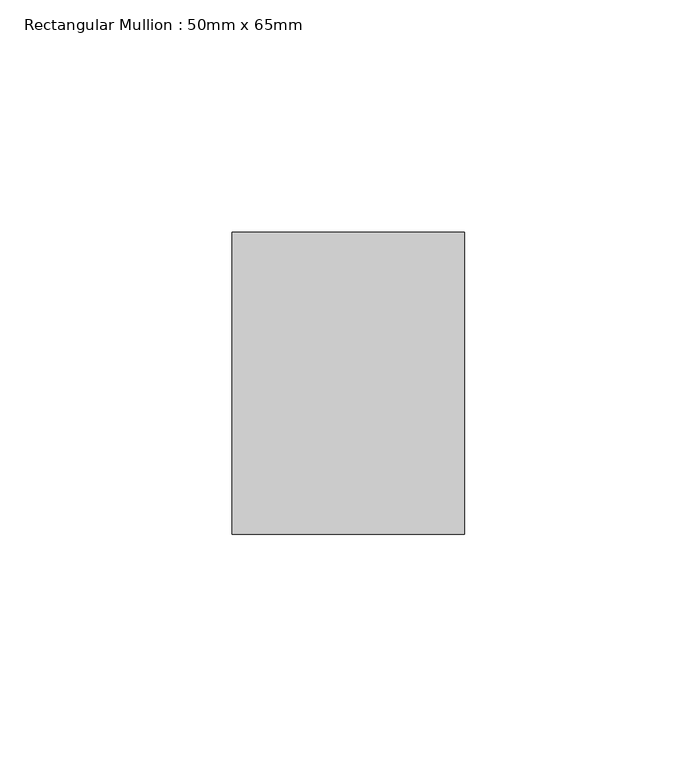
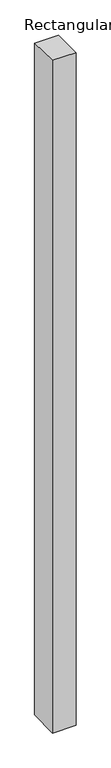
"""IFC4 building model written with IfcOpenShell, lengths in millimetres: member geometry, Rectangular Mullion : 50mm x 65mm."""

from ifc_helpers import new_model, si_unit, origin, place, context, project, spatial, faceted_brep, source, transform, mapped, element, save


def rectangular_mullion_50mm_x_65mm_96c3be3b(model_context):
    return source(origin(), model_context, "Body", "Brep", [
        faceted_brep([(-25.0, 32.5, -0.6022161), (25.0, 32.5, -0.6022166), (25.0, 32.5, -1499.4368414), (-25.0, 32.5, -1499.4368418), (-25.0, -32.5, 0.6022166), (-25.0, -32.5, -1500.5642917), (25.0, -32.5, 0.6022161), (25.0, -32.5, -1500.5642913)], [[[0, 1, 2, 3]], [[4, 0, 3, 5]], [[6, 4, 5, 7]], [[1, 6, 7, 2]], [[1, 0, 4, 6]], [[2, 7, 5, 3]]]),
    ])


if __name__ == "__main__":
    model = new_model("IFC4")
    model_context = context("Model", 3, world=origin())
    ifc_project = project(units=[si_unit("LENGTHUNIT", "METRE", prefix="MILLI")], contexts=[model_context])
    site = spatial("IfcSite", under=ifc_project)
    building = spatial("IfcBuilding", under=site)
    placement = place(None, origin())
    rectangular_mullion_50mm_x_65mm_shape = rectangular_mullion_50mm_x_65mm_96c3be3b(model_context)
    element("IfcMember", 1, ObjectType="Rectangular Mullion : 50mm x 65mm", at=placement, inside=building, context=model_context, shape_type="MappedRepresentation", body=[
        mapped(rectangular_mullion_50mm_x_65mm_shape, transform((0.0, 0.0, 0.0), x_axis=(1.0, 0.0, 0.0), y_axis=(0.0, 1.0, 0.0), z_axis=(0.0, 0.0, 1.0))),
    ])
    save(model, "model.ifc")
